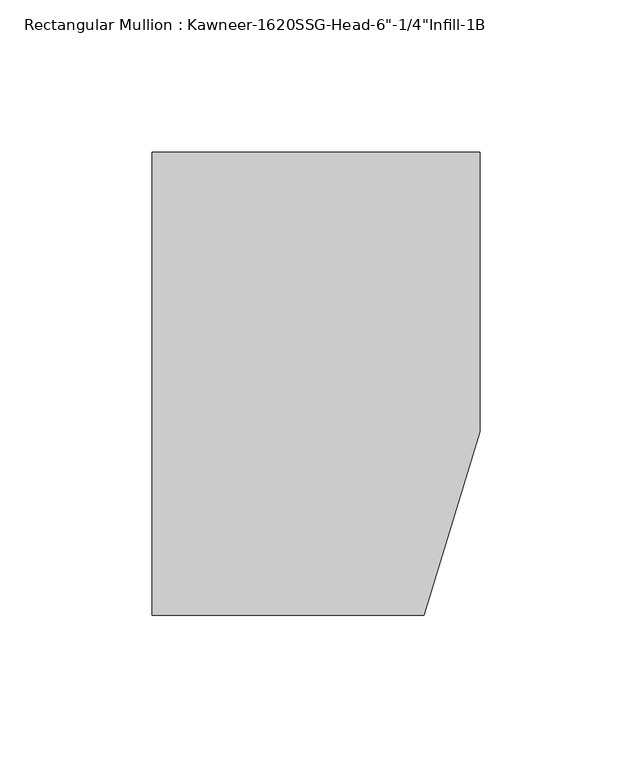
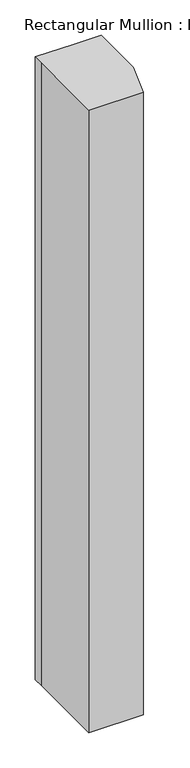
"""IFC4 building model written with IfcOpenShell, lengths in millimetres: member geometry."""

from ifc_helpers import new_model, si_unit, frame, origin, place, context, project, spatial, polyline, outline, extrude, source, transform, mapped, element, save


def member_1c00d0f4(model_context):
    return source(origin(), model_context, "Body", "SweptSolid", [
        extrude(outline(polyline([(-107.95, 10.3845466), (-107.95, 28.575), (-44.1519366, 28.575), (0.0, 28.575), (0.0, -63.5), (-18.3538271, -123.825), (-107.95, -123.825), (-107.95, 10.3845466)])), frame((0.0, 0.0, -1079.5), z_axis=(0.0, 0.0, 1.0), x_axis=(1.0, 0.0, 0.0)), (0.0, 0.0, 1.0), 1079.5),
    ])


if __name__ == "__main__":
    model = new_model("IFC4")
    model_context = context("Model", 3, world=origin())
    ifc_project = project(units=[si_unit("LENGTHUNIT", "METRE", prefix="MILLI")], contexts=[model_context])
    site = spatial("IfcSite", under=ifc_project)
    building = spatial("IfcBuilding", under=site)
    placement = place(None, origin())
    member_shape = member_1c00d0f4(model_context)
    element("IfcMember", 1, ObjectType="Rectangular Mullion : Kawneer-1620SSG-Head-6\"-1/4\"Infill-1B", at=placement, inside=building, context=model_context, shape_type="MappedRepresentation", body=[
        mapped(member_shape, transform((0.0, 0.0, 0.0), x_axis=(1.0, 0.0, 0.0), y_axis=(0.0, 1.0, 0.0), z_axis=(0.0, 0.0, 1.0))),
    ])
    save(model, "model.ifc")
